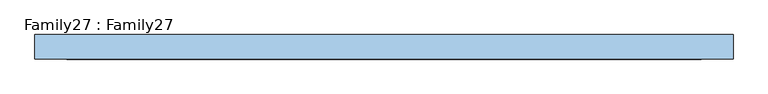
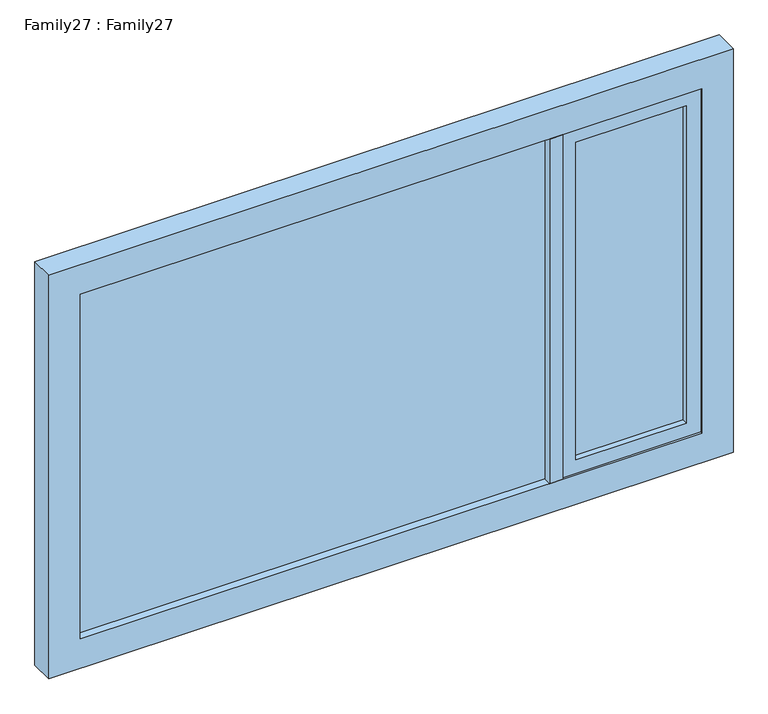
"""IFC4 building model written with IfcOpenShell, lengths in millimetres: window geometry, Family27 : Family27."""

from ifc_helpers import new_model, si_unit, frame, origin, place, context, project, spatial, polyline, outline, extrude, source, transform, mapped, element, save


def family27_family27_96098997(model_context):
    return source(origin(), model_context, "Body", "SweptSolid", [
        extrude(outline(polyline([(1036.0, 14.0), (1036.0, 10.0), (650.0, 10.0), (650.0, 14.0), (1036.0, 14.0)])), frame((0.0, 0.0, 959.0), z_axis=(0.0, 0.0, 1.0), x_axis=(1.0, 0.0, 0.0)), (0.0, 0.0, 1.0), 1172.0),
        extrude(outline(polyline([(650.0, -14.0), (650.0, -10.0), (1036.0, -10.0), (1036.0, -14.0), (650.0, -14.0)])), frame((0.0, 0.0, 959.0), z_axis=(0.0, 0.0, 1.0), x_axis=(1.0, 0.0, 0.0)), (0.0, 0.0, 1.0), 1172.0),
        extrude(outline(polyline([(553.8050141, 14.0), (553.8050141, 10.0), (-1086.0, 10.0), (-1086.0, 14.0), (553.8050141, 14.0)])), frame((0.0, 0.0, 909.0), z_axis=(0.0, 0.0, 1.0), x_axis=(1.0, 0.0, 0.0)), (0.0, 0.0, 1.0), 1272.0),
        extrude(outline(polyline([(-1086.0, -14.0), (-1086.0, -10.0), (553.8050141, -10.0), (553.8050141, -14.0), (-1086.0, -14.0)])), frame((0.0, 0.0, 909.0), z_axis=(0.0, 0.0, 1.0), x_axis=(1.0, 0.0, 0.0)), (0.0, 0.0, 1.0), 1272.0),
        extrude(outline(polyline([(600.0, -42.0), (553.8050141, -42.0), (553.8050141, 42.0), (600.0, 42.0), (600.0, -42.0)])), frame((0.0, 0.0, 909.0), z_axis=(0.0, 0.0, 1.0), x_axis=(1.0, 0.0, 0.0)), (0.0, 0.0, 1.0), 1272.0),
        extrude(outline(polyline([(2181.0, 1086.0), (2181.0, 600.0), (909.0, 600.0), (909.0, 1086.0), (2181.0, 1086.0)]), holes=[polyline([(959.0, 650.0), (2131.0, 650.0), (2131.0, 1036.0), (959.0, 1036.0), (959.0, 650.0)])]), frame((0.0, -35.5110303, 0.0), z_axis=(0.0, 1.0, 0.0), x_axis=(0.0, 0.0, 1.0)), (0.0, 0.0, 1.0), 70.4146297),
        extrude(outline(polyline([(2290.0, 1195.0), (2290.0, -1195.0), (800.0, -1195.0), (800.0, 1195.0), (2290.0, 1195.0)]), holes=[polyline([(909.0, 1086.0), (909.0, -1086.0), (2181.0, -1086.0), (2181.0, 1086.0), (909.0, 1086.0)])]), frame((0.0, -42.0, 0.0), z_axis=(0.0, 1.0, 0.0), x_axis=(0.0, 0.0, 1.0)), (0.0, 0.0, 1.0), 84.0),
    ])


if __name__ == "__main__":
    model = new_model("IFC4")
    model_context = context("Model", 3, world=origin())
    ifc_project = project(units=[si_unit("LENGTHUNIT", "METRE", prefix="MILLI")], contexts=[model_context])
    site = spatial("IfcSite", under=ifc_project)
    building = spatial("IfcBuilding", under=site)
    placement = place(None, origin())
    family27_family27_shape = family27_family27_96098997(model_context)
    element("IfcWindow", 1, ObjectType="Family27 : Family27", at=placement, inside=building, context=model_context, shape_type="MappedRepresentation", body=[
        mapped(family27_family27_shape, transform((0.0, 0.0, 0.0), x_axis=(1.0, 0.0, 0.0), y_axis=(0.0, 1.0, 0.0), z_axis=(0.0, 0.0, 1.0))),
    ])
    save(model, "model.ifc")
